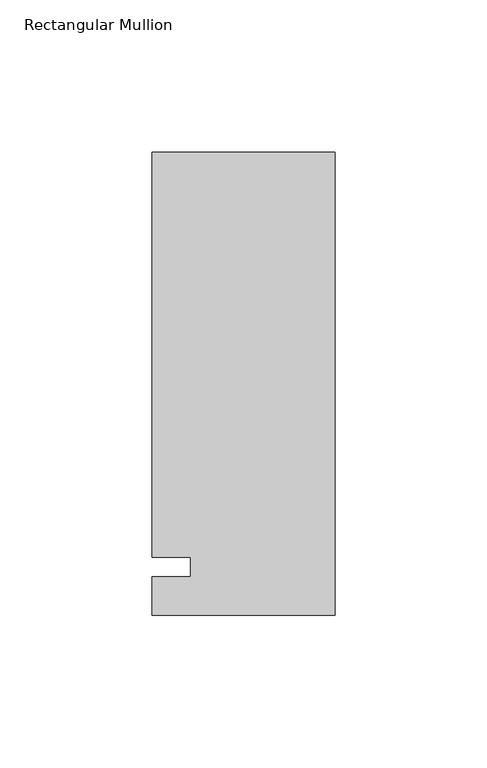
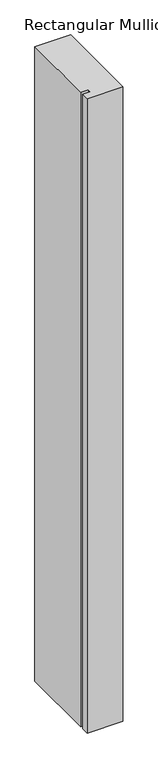
"""IFC4 building model written with IfcOpenShell, lengths in millimetres: member geometry, Rectangular Mullion."""

from ifc_helpers import new_model, si_unit, frame, origin, place, context, project, spatial, polyline, outline, extrude, source, transform, mapped, element, save


def rectangular_mullion_78bc2e32(model_context):
    return source(origin(), model_context, "Body", "SweptSolid", [
        extrude(outline(polyline([(-60.325, 136.525), (0.0, 136.525), (0.0, -15.875), (-60.325, -15.875), (-60.325, -3.175), (-47.625, -3.175), (-47.625, 3.175), (-60.325, 3.175), (-60.325, 136.525)])), frame((0.0, 0.0, -1130.3), z_axis=(0.0, 0.0, 1.0), x_axis=(1.0, 0.0, 0.0)), (0.0, 0.0, 1.0), 1130.3),
    ])


if __name__ == "__main__":
    model = new_model("IFC4")
    model_context = context("Model", 3, world=origin())
    ifc_project = project(units=[si_unit("LENGTHUNIT", "METRE", prefix="MILLI")], contexts=[model_context])
    site = spatial("IfcSite", under=ifc_project)
    building = spatial("IfcBuilding", under=site)
    placement = place(None, origin())
    rectangular_mullion_shape = rectangular_mullion_78bc2e32(model_context)
    element("IfcMember", 1, ObjectType="Rectangular Mullion", at=placement, inside=building, context=model_context, shape_type="MappedRepresentation", body=[
        mapped(rectangular_mullion_shape, transform((0.0, 0.0, 0.0), x_axis=(1.0, 0.0, 0.0), y_axis=(0.0, 1.0, 0.0), z_axis=(0.0, 0.0, 1.0))),
    ])
    save(model, "model.ifc")
